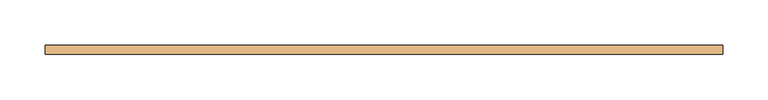
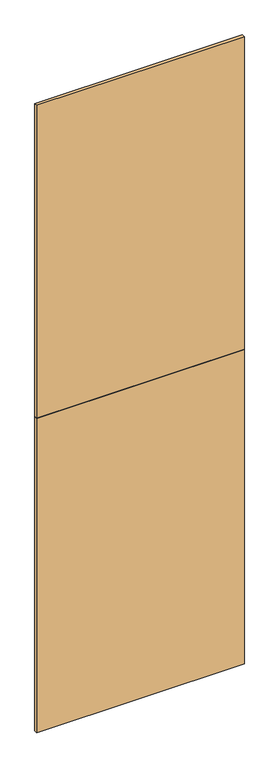
"""IFC4 building model written with IfcOpenShell, lengths in millimetres: door geometry."""

from ifc_helpers import new_model, si_unit, frame, origin, place, context, project, spatial, polyline, outline, extrude, source, transform, mapped, element, save


def door_e135f6d2(model_context):
    return source(origin(), model_context, "Body", "SweptSolid", [
        extrude(outline(polyline([(374.9040671, -5.0), (-374.9040671, -5.0), (-374.9040671, 5.0), (374.9040671, 5.0), (374.9040671, -5.0)])), frame((0.0, 0.0, 1.5559478), z_axis=(0.0, 0.0, 1.0), x_axis=(1.0, 0.0, 0.0)), (0.0, 0.0, 1.0), 1198.4440522),
        extrude(outline(polyline([(374.9040671, -5.0), (-374.9040671, -5.0), (-374.9040671, 5.0), (374.9040671, 5.0), (374.9040671, -5.0)])), frame((0.0, 0.0, 1200.0), z_axis=(0.0, 0.0, 1.0), x_axis=(1.0, 0.0, 0.0)), (0.0, 0.0, 1.0), 1192.9229469),
    ])


if __name__ == "__main__":
    model = new_model("IFC4")
    model_context = context("Model", 3, world=origin())
    ifc_project = project(units=[si_unit("LENGTHUNIT", "METRE", prefix="MILLI")], contexts=[model_context])
    site = spatial("IfcSite", under=ifc_project)
    building = spatial("IfcBuilding", under=site)
    placement = place(None, origin())
    door_shape = door_e135f6d2(model_context)
    element("IfcDoor", 1, at=placement, inside=building, context=model_context, shape_type="MappedRepresentation", body=[
        mapped(door_shape, transform((0.0, 0.0, 0.0), x_axis=(1.0, 0.0, 0.0), y_axis=(0.0, 1.0, 0.0), z_axis=(0.0, 0.0, 1.0))),
    ])
    save(model, "model.ifc")
